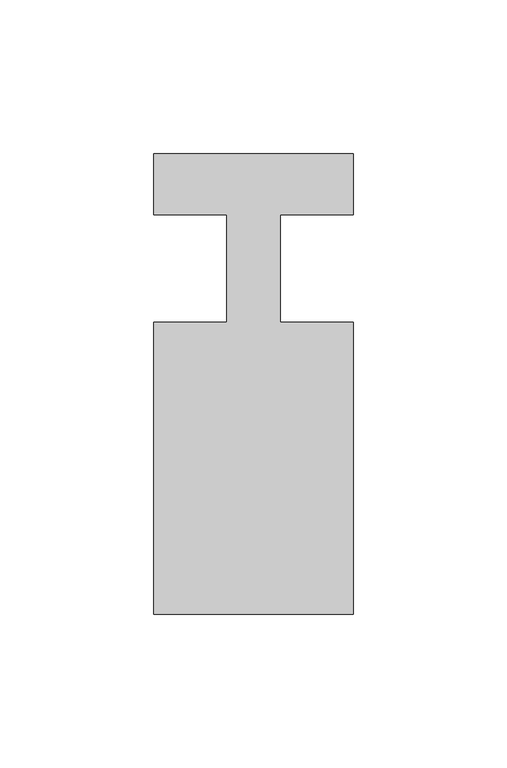
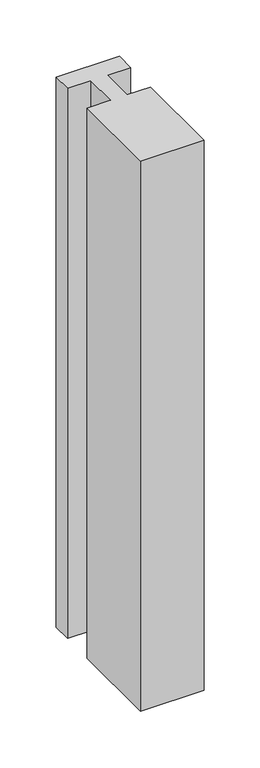
"""IFC4 building model written with IfcOpenShell, lengths in millimetres: member geometry."""

from ifc_helpers import new_model, si_unit, frame, origin, place, context, project, spatial, polyline, outline, extrude, source, transform, mapped, element, save


def member_114cd0af(model_context):
    return source(origin(), model_context, "Body", "SweptSolid", [
        extrude(outline(polyline([(-65.0, 37.0), (0.0, 37.0), (0.0, 17.0), (-23.8125, 17.0), (-23.8125, -18.0), (0.0, -18.0), (0.0, -113.0), (-65.0, -113.0), (-65.0, -18.0), (-41.1875, -18.0), (-41.1875, 17.0), (-65.0, 17.0), (-65.0, 37.0)])), frame((0.0, 0.0, -596.6498803), z_axis=(0.0, 0.0, 1.0), x_axis=(1.0, 0.0, 0.0)), (0.0, 0.0, 1.0), 596.6498803),
    ])


if __name__ == "__main__":
    model = new_model("IFC4")
    model_context = context("Model", 3, world=origin())
    ifc_project = project(units=[si_unit("LENGTHUNIT", "METRE", prefix="MILLI")], contexts=[model_context])
    site = spatial("IfcSite", under=ifc_project)
    building = spatial("IfcBuilding", under=site)
    placement = place(None, origin())
    member_shape = member_114cd0af(model_context)
    element("IfcMember", 1, at=placement, inside=building, context=model_context, shape_type="MappedRepresentation", body=[
        mapped(member_shape, transform((0.0, 0.0, 0.0), x_axis=(1.0, 0.0, 0.0), y_axis=(0.0, 1.0, 0.0), z_axis=(0.0, 0.0, 1.0))),
    ])
    save(model, "model.ifc")
